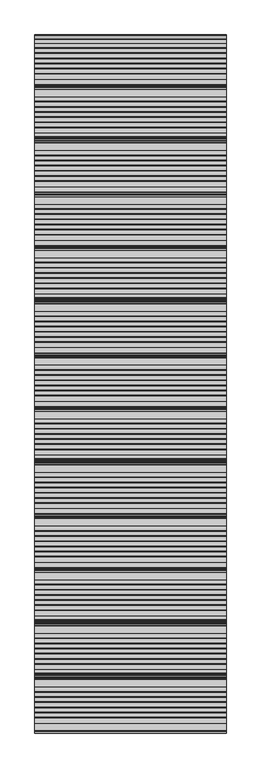
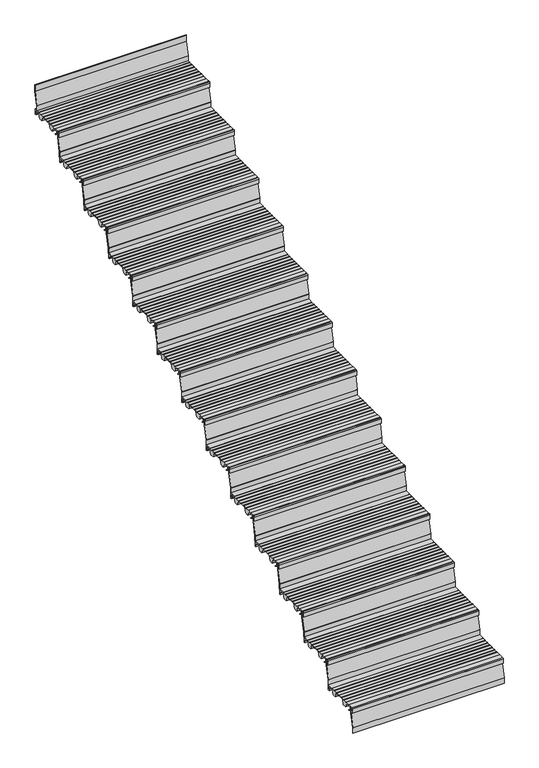
"""IFC4 building model written with IfcOpenShell, lengths in millimetres: stair flight geometry."""

from ifc_helpers import new_model, si_unit, point, frame, frame_2d, origin, place, context, project, spatial, polyline, circle_curve, trimmed, segment, composite_curve, outline, extrude, source, transform, mapped, element, save


def stair_flight_a7bef514(model_context):
    return source(origin(), model_context, "Body", "SweptSolid", [
        extrude(outline(composite_curve([segment(polyline([(-1371.0228882, 142.2436313), (-1359.2635956, 133.0961128), (-1355.814023, 133.0885102), (-1355.8198754, 130.4330421), (-1360.1774004, 130.4426458), (-1373.4632244, 140.7776485), (-1374.1204224, 160.5772032), (-1390.9403325, 160.5401335), (-1390.9403325, 139.1885558), (-1385.0403648, 139.2015588), (-1385.0403648, 129.9429101), (-1394.2346869, 129.9429101), (-1394.2346869, 160.8235294)]), True, "CONTINUOUS"), segment(trimmed(circle_curve(frame_2d((-1389.2346869, 160.8235294)), 5.0), [point((-1394.2346869, 160.8235294))], [point((-1389.2346869, 165.8235294))], False, "CARTESIAN"), True, "CONTINUOUS"), segment(polyline([(-1389.2346869, 165.8235294), (-1354.5261336, 165.8235294), (-1354.5261336, 164.4415536), (-1324.4999776, 164.3753783), (-1324.4999776, 165.9642153), (-1322.4653981, 165.9642153), (-1322.4653981, 164.0199324), (-1297.6188218, 164.0199324), (-1297.6188218, 165.9642153), (-1295.5842423, 165.9642153), (-1295.5842423, 164.0199324), (-1270.7376659, 164.0199324), (-1270.7376659, 165.9642153), (-1268.7030864, 165.9642153), (-1268.7030864, 164.0199324), (-1243.8565101, 164.0199324), (-1243.8565101, 165.9642153), (-1241.8219306, 165.9642153), (-1241.8219306, 164.0199324), (-1216.9753543, 164.0199324), (-1216.9753543, 165.9642153), (-1214.9407747, 165.9642153), (-1214.9407747, 164.0199324), (-1190.1036061, 164.0199324), (-1190.1036061, 165.9642153), (-1188.0690266, 165.9642153), (-1188.0690266, 164.0199324), (-1163.2211524, 164.0199324), (-1163.2211524, 165.9094525), (-1124.2346869, 165.8235294), (-1124.2346869, 129.9226465), (-1133.429009, 129.9429101), (-1133.429009, 139.2015588), (-1127.5290413, 139.1885558), (-1127.5290413, 160.5401335), (-1165.7505822, 160.6243708), (-1176.4760637, 130.0377824), (-1201.3678437, 130.092642), (-1214.3617912, 161.2983621), (-1285.0325064, 161.4541148), (-1295.9566079, 130.3011082), (-1320.848388, 130.3559677), (-1333.9210866, 161.7508134), (-1354.5261336, 161.7962253), (-1354.5261336, 160.6203875), (-1371.6316085, 160.5826884), (-1371.0228882, 142.2436313)]), True, "CONTINUOUS")], self_intersect=False)), frame((-3551.8300828, 0.0, 0.0), z_axis=(1.0, 0.0, 0.0), x_axis=(0.0, 1.0, 0.0)), (0.0, 0.0, 1.0), 1000.0),
        extrude(outline(composite_curve([segment(polyline([(-1382.7293497, 165.8235294), (-1380.7290994, 165.8235294), (-1380.7290994, 124.3665797)]), True, "CONTINUOUS"), segment(trimmed(circle_curve(frame_2d((-1384.6054869, 124.2822498)), 3.8773048), [point((-1380.7290994, 124.3665797))], [point((-1380.8355039, 123.376314))], False, "CARTESIAN"), True, "CONTINUOUS"), segment(polyline([(-1380.8355039, 123.376314), (-1402.2344365, 34.3262853), (-1402.2344365, -1.6764706), (-1404.2346869, -1.6764706), (-1404.2346869, 34.0170374)]), True, "CONTINUOUS"), segment(trimmed(circle_curve(frame_2d((-1399.6463851, 34.0170374)), 4.5883018), [point((-1404.2346869, 34.0170374))], [point((-1404.1076852, 35.0890984))], False, "CARTESIAN"), True, "CONTINUOUS"), segment(polyline([(-1404.1076852, 35.0890984), (-1382.7293497, 124.0534134), (-1382.7293497, 165.8235294)]), True, "CONTINUOUS")], self_intersect=False)), frame((-3551.8300828, 0.0, 0.0), z_axis=(1.0, 0.0, 0.0), x_axis=(0.0, 1.0, 0.0)), (0.0, 0.0, 1.0), 1000.0),
        extrude(outline(composite_curve([segment(polyline([(-1102.7293497, 331.6470588), (-1100.7290994, 331.6470588), (-1100.7290994, 290.1901091)]), True, "CONTINUOUS"), segment(trimmed(circle_curve(frame_2d((-1104.6054869, 290.1057792)), 3.8773048), [point((-1100.7290994, 290.1901091))], [point((-1100.8355039, 289.1998434))], False, "CARTESIAN"), True, "CONTINUOUS"), segment(polyline([(-1100.8355039, 289.1998434), (-1122.2344365, 200.1498147), (-1122.2344365, 164.1470588), (-1124.2346869, 164.1470588), (-1124.2346869, 199.8405668)]), True, "CONTINUOUS"), segment(trimmed(circle_curve(frame_2d((-1119.6463851, 199.8405668)), 4.5883018), [point((-1124.2346869, 199.8405668))], [point((-1124.1076852, 200.9126278))], False, "CARTESIAN"), True, "CONTINUOUS"), segment(polyline([(-1124.1076852, 200.9126278), (-1102.7293497, 289.8769428), (-1102.7293497, 331.6470588)]), True, "CONTINUOUS")], self_intersect=False)), frame((-3551.8300828, 0.0, 0.0), z_axis=(1.0, 0.0, 0.0), x_axis=(0.0, 1.0, 0.0)), (0.0, 0.0, 1.0), 1000.0),
        extrude(outline(composite_curve([segment(polyline([(-1091.0228882, 308.0671607), (-1079.2635956, 298.9196422), (-1075.814023, 298.9120396), (-1075.8198754, 296.2565715), (-1080.1774004, 296.2661752), (-1093.4632244, 306.6011779), (-1094.1204224, 326.4007327), (-1110.9403325, 326.3636629), (-1110.9403325, 305.0120852), (-1105.0403648, 305.0250882), (-1105.0403648, 295.7664395), (-1114.2346869, 295.7664395), (-1114.2346869, 326.6470588)]), True, "CONTINUOUS"), segment(trimmed(circle_curve(frame_2d((-1109.2346869, 326.6470588)), 5.0), [point((-1114.2346869, 326.6470588))], [point((-1109.2346869, 331.6470588))], False, "CARTESIAN"), True, "CONTINUOUS"), segment(polyline([(-1109.2346869, 331.6470588), (-1074.5261336, 331.6470588), (-1074.5261336, 330.265083), (-1044.4999776, 330.1989077), (-1044.4999776, 331.7877447), (-1042.4653981, 331.7877447), (-1042.4653981, 329.8434618), (-1017.6188218, 329.8434618), (-1017.6188218, 331.7877447), (-1015.5842423, 331.7877447), (-1015.5842423, 329.8434618), (-990.7376659, 329.8434618), (-990.7376659, 331.7877447), (-988.7030864, 331.7877447), (-988.7030864, 329.8434618), (-963.8565101, 329.8434618), (-963.8565101, 331.7877447), (-961.8219306, 331.7877447), (-961.8219306, 329.8434618), (-936.9753543, 329.8434618), (-936.9753543, 331.7877447), (-934.9407747, 331.7877447), (-934.9407747, 329.8434618), (-910.1036061, 329.8434618), (-910.1036061, 331.7877447), (-908.0690266, 331.7877447), (-908.0690266, 329.8434618), (-883.2211524, 329.8434618), (-883.2211524, 331.7329819), (-844.2346869, 331.6470588), (-844.2346869, 295.7461759), (-853.429009, 295.7664395), (-853.429009, 305.0250882), (-847.5290413, 305.0120852), (-847.5290413, 326.3636629), (-885.7505822, 326.4479002), (-896.4760637, 295.8613118), (-921.3678437, 295.9161714), (-934.3617912, 327.1218915), (-1005.0325064, 327.2776442), (-1015.9566079, 296.1246376), (-1040.848388, 296.1794971), (-1053.9210866, 327.5743428), (-1074.5261336, 327.6197548), (-1074.5261336, 326.4439169), (-1091.6316085, 326.4062178), (-1091.0228882, 308.0671607)]), True, "CONTINUOUS")], self_intersect=False)), frame((-3551.8300828, 0.0, 0.0), z_axis=(1.0, 0.0, 0.0), x_axis=(0.0, 1.0, 0.0)), (0.0, 0.0, 1.0), 1000.0),
        extrude(outline(composite_curve([segment(polyline([(-822.7293497, 497.4705882), (-820.7290994, 497.4705882), (-820.7290994, 456.0136385)]), True, "CONTINUOUS"), segment(trimmed(circle_curve(frame_2d((-824.6054869, 455.9293087)), 3.8773048), [point((-820.7290994, 456.0136385))], [point((-820.8355039, 455.0233728))], False, "CARTESIAN"), True, "CONTINUOUS"), segment(polyline([(-820.8355039, 455.0233728), (-842.2344365, 365.9733441), (-842.2344365, 329.9705882), (-844.2346869, 329.9705882), (-844.2346869, 365.6640963)]), True, "CONTINUOUS"), segment(trimmed(circle_curve(frame_2d((-839.6463851, 365.6640963)), 4.5883018), [point((-844.2346869, 365.6640963))], [point((-844.1076852, 366.7361572))], False, "CARTESIAN"), True, "CONTINUOUS"), segment(polyline([(-844.1076852, 366.7361572), (-822.7293497, 455.7004722), (-822.7293497, 497.4705882)]), True, "CONTINUOUS")], self_intersect=False)), frame((-3551.8300828, 0.0, 0.0), z_axis=(1.0, 0.0, 0.0), x_axis=(0.0, 1.0, 0.0)), (0.0, 0.0, 1.0), 1000.0),
        extrude(outline(composite_curve([segment(polyline([(-811.0228882, 473.8906902), (-799.2635956, 464.7431716), (-795.814023, 464.735569), (-795.8198754, 462.080101), (-800.1774004, 462.0897046), (-813.4632244, 472.4247073), (-814.1204224, 492.2242621), (-830.9403325, 492.1871923), (-830.9403325, 470.8356146), (-825.0403648, 470.8486177), (-825.0403648, 461.5899689), (-834.2346869, 461.5899689), (-834.2346869, 492.4705882)]), True, "CONTINUOUS"), segment(trimmed(circle_curve(frame_2d((-829.2346869, 492.4705882)), 5.0), [point((-834.2346869, 492.4705882))], [point((-829.2346869, 497.4705882))], False, "CARTESIAN"), True, "CONTINUOUS"), segment(polyline([(-829.2346869, 497.4705882), (-794.5261336, 497.4705882), (-794.5261336, 496.0886124), (-764.4999776, 496.0224371), (-764.4999776, 497.6112741), (-762.4653981, 497.6112741), (-762.4653981, 495.6669912), (-737.6188218, 495.6669912), (-737.6188218, 497.6112741), (-735.5842423, 497.6112741), (-735.5842423, 495.6669912), (-710.7376659, 495.6669912), (-710.7376659, 497.6112741), (-708.7030864, 497.6112741), (-708.7030864, 495.6669912), (-683.8565101, 495.6669912), (-683.8565101, 497.6112741), (-681.8219306, 497.6112741), (-681.8219306, 495.6669912), (-656.9753543, 495.6669912), (-656.9753543, 497.6112741), (-654.9407747, 497.6112741), (-654.9407747, 495.6669912), (-630.1036061, 495.6669912), (-630.1036061, 497.6112741), (-628.0690266, 497.6112741), (-628.0690266, 495.6669912), (-603.2211524, 495.6669912), (-603.2211524, 497.5565113), (-564.2346869, 497.4705882), (-564.2346869, 461.5697053), (-573.429009, 461.5899689), (-573.429009, 470.8486177), (-567.5290413, 470.8356146), (-567.5290413, 492.1871923), (-605.7505822, 492.2714296), (-616.4760637, 461.6848412), (-641.3678437, 461.7397008), (-654.3617912, 492.9454209), (-725.0325064, 493.1011736), (-735.9566079, 461.948167), (-760.848388, 462.0030265), (-773.9210866, 493.3978723), (-794.5261336, 493.4432842), (-794.5261336, 492.2674463), (-811.6316085, 492.2297472), (-811.0228882, 473.8906902)]), True, "CONTINUOUS")], self_intersect=False)), frame((-3551.8300828, 0.0, 0.0), z_axis=(1.0, 0.0, 0.0), x_axis=(0.0, 1.0, 0.0)), (0.0, 0.0, 1.0), 1000.0),
        extrude(outline(composite_curve([segment(polyline([(-542.7293497, 663.2941176), (-540.7290994, 663.2941176), (-540.7290994, 621.8371679)]), True, "CONTINUOUS"), segment(trimmed(circle_curve(frame_2d((-544.6054869, 621.7528381)), 3.8773048), [point((-540.7290994, 621.8371679))], [point((-540.8355039, 620.8469022))], False, "CARTESIAN"), True, "CONTINUOUS"), segment(polyline([(-540.8355039, 620.8469022), (-562.2344365, 531.7968735), (-562.2344365, 495.7941176), (-564.2346869, 495.7941176), (-564.2346869, 531.4876257)]), True, "CONTINUOUS"), segment(trimmed(circle_curve(frame_2d((-559.6463851, 531.4876257)), 4.5883018), [point((-564.2346869, 531.4876257))], [point((-564.1076852, 532.5596866))], False, "CARTESIAN"), True, "CONTINUOUS"), segment(polyline([(-564.1076852, 532.5596866), (-542.7293497, 621.5240017), (-542.7293497, 663.2941176)]), True, "CONTINUOUS")], self_intersect=False)), frame((-3551.8300828, 0.0, 0.0), z_axis=(1.0, 0.0, 0.0), x_axis=(0.0, 1.0, 0.0)), (0.0, 0.0, 1.0), 1000.0),
        extrude(outline(composite_curve([segment(polyline([(-531.0228882, 639.7142196), (-519.2635956, 630.566701), (-515.814023, 630.5590984), (-515.8198754, 627.9036304), (-520.1774004, 627.913234), (-533.4632244, 638.2482367), (-534.1204224, 658.0477915), (-550.9403325, 658.0107217), (-550.9403325, 636.659144), (-545.0403648, 636.6721471), (-545.0403648, 627.4134983), (-554.2346869, 627.4134983), (-554.2346869, 658.2941176)]), True, "CONTINUOUS"), segment(trimmed(circle_curve(frame_2d((-549.2346869, 658.2941176)), 5.0), [point((-554.2346869, 658.2941176))], [point((-549.2346869, 663.2941176))], False, "CARTESIAN"), True, "CONTINUOUS"), segment(polyline([(-549.2346869, 663.2941176), (-514.5261336, 663.2941176), (-514.5261336, 661.9121418), (-484.4999776, 661.8459665), (-484.4999776, 663.4348035), (-482.4653981, 663.4348035), (-482.4653981, 661.4905206), (-457.6188218, 661.4905206), (-457.6188218, 663.4348035), (-455.5842423, 663.4348035), (-455.5842423, 661.4905206), (-430.7376659, 661.4905206), (-430.7376659, 663.4348035), (-428.7030864, 663.4348035), (-428.7030864, 661.4905206), (-403.8565101, 661.4905206), (-403.8565101, 663.4348035), (-401.8219306, 663.4348035), (-401.8219306, 661.4905206), (-376.9753543, 661.4905206), (-376.9753543, 663.4348035), (-374.9407747, 663.4348035), (-374.9407747, 661.4905206), (-350.1036061, 661.4905206), (-350.1036061, 663.4348035), (-348.0690266, 663.4348035), (-348.0690266, 661.4905206), (-323.2211524, 661.4905206), (-323.2211524, 663.3800408), (-284.2346869, 663.2941176), (-284.2346869, 627.3932348), (-293.429009, 627.4134983), (-293.429009, 636.6721471), (-287.5290413, 636.659144), (-287.5290413, 658.0107217), (-325.7505822, 658.094959), (-336.4760637, 627.5083707), (-361.3678437, 627.5632302), (-374.3617912, 658.7689503), (-445.0325064, 658.9247031), (-455.9566079, 627.7716964), (-480.848388, 627.8265559), (-493.9210866, 659.2214017), (-514.5261336, 659.2668136), (-514.5261336, 658.0909758), (-531.6316085, 658.0532766), (-531.0228882, 639.7142196)]), True, "CONTINUOUS")], self_intersect=False)), frame((-3551.8300828, 0.0, 0.0), z_axis=(1.0, 0.0, 0.0), x_axis=(0.0, 1.0, 0.0)), (0.0, 0.0, 1.0), 1000.0),
        extrude(outline(composite_curve([segment(polyline([(-262.7293497, 829.1176471), (-260.7290994, 829.1176471), (-260.7290994, 787.6606973)]), True, "CONTINUOUS"), segment(trimmed(circle_curve(frame_2d((-264.6054869, 787.5763675)), 3.8773048), [point((-260.7290994, 787.6606973))], [point((-260.8355039, 786.6704316))], False, "CARTESIAN"), True, "CONTINUOUS"), segment(polyline([(-260.8355039, 786.6704316), (-282.2344365, 697.620403), (-282.2344365, 661.6176471), (-284.2346869, 661.6176471), (-284.2346869, 697.3111551)]), True, "CONTINUOUS"), segment(trimmed(circle_curve(frame_2d((-279.6463851, 697.3111551)), 4.5883018), [point((-284.2346869, 697.3111551))], [point((-284.1076852, 698.3832161))], False, "CARTESIAN"), True, "CONTINUOUS"), segment(polyline([(-284.1076852, 698.3832161), (-262.7293497, 787.3475311), (-262.7293497, 829.1176471)]), True, "CONTINUOUS")], self_intersect=False)), frame((-3551.8300828, 0.0, 0.0), z_axis=(1.0, 0.0, 0.0), x_axis=(0.0, 1.0, 0.0)), (0.0, 0.0, 1.0), 1000.0),
        extrude(outline(composite_curve([segment(polyline([(-251.0228882, 805.537749), (-239.2635956, 796.3902304), (-235.814023, 796.3826279), (-235.8198754, 793.7271598), (-240.1774004, 793.7367634), (-253.4632244, 804.0717661), (-254.1204224, 823.8713209), (-270.9403325, 823.8342511), (-270.9403325, 802.4826734), (-265.0403648, 802.4956765), (-265.0403648, 793.2370277), (-274.2346869, 793.2370277), (-274.2346869, 824.1176471)]), True, "CONTINUOUS"), segment(trimmed(circle_curve(frame_2d((-269.2346869, 824.1176471)), 5.0), [point((-274.2346869, 824.1176471))], [point((-269.2346869, 829.1176471))], False, "CARTESIAN"), True, "CONTINUOUS"), segment(polyline([(-269.2346869, 829.1176471), (-234.5261336, 829.1176471), (-234.5261336, 827.7356712), (-204.4999776, 827.6694959), (-204.4999776, 829.2583329), (-202.4653981, 829.2583329), (-202.4653981, 827.31405), (-177.6188218, 827.31405), (-177.6188218, 829.2583329), (-175.5842423, 829.2583329), (-175.5842423, 827.31405), (-150.7376659, 827.31405), (-150.7376659, 829.2583329), (-148.7030864, 829.2583329), (-148.7030864, 827.31405), (-123.8565101, 827.31405), (-123.8565101, 829.2583329), (-121.8219306, 829.2583329), (-121.8219306, 827.31405), (-96.9753543, 827.31405), (-96.9753543, 829.2583329), (-94.9407747, 829.2583329), (-94.9407747, 827.31405), (-70.1036061, 827.31405), (-70.1036061, 829.2583329), (-68.0690266, 829.2583329), (-68.0690266, 827.31405), (-43.2211524, 827.31405), (-43.2211524, 829.2035702), (-4.2346869, 829.1176471), (-4.2346869, 793.2167642), (-13.429009, 793.2370277), (-13.429009, 802.4956765), (-7.5290413, 802.4826734), (-7.5290413, 823.8342511), (-45.7505822, 823.9184884), (-56.4760637, 793.3319001), (-81.3678437, 793.3867596), (-94.3617912, 824.5924798), (-165.0325064, 824.7482325), (-175.9566079, 793.5952258), (-200.848388, 793.6500854), (-213.9210866, 825.0449311), (-234.5261336, 825.090343), (-234.5261336, 823.9145052), (-251.6316085, 823.876806), (-251.0228882, 805.537749)]), True, "CONTINUOUS")], self_intersect=False)), frame((-3551.8300828, 0.0, 0.0), z_axis=(1.0, 0.0, 0.0), x_axis=(0.0, 1.0, 0.0)), (0.0, 0.0, 1.0), 1000.0),
        extrude(outline(composite_curve([segment(polyline([(17.2706503, 994.9411765), (19.2709006, 994.9411765), (19.2709006, 953.4842267)]), True, "CONTINUOUS"), segment(trimmed(circle_curve(frame_2d((15.3945131, 953.3998969)), 3.8773048), [point((19.2709006, 953.4842267))], [point((19.1644961, 952.493961))], False, "CARTESIAN"), True, "CONTINUOUS"), segment(polyline([(19.1644961, 952.493961), (-2.2344365, 863.4439324), (-2.2344365, 827.4411765), (-4.2346869, 827.4411765), (-4.2346869, 863.1346845)]), True, "CONTINUOUS"), segment(trimmed(circle_curve(frame_2d((0.3536149, 863.1346845)), 4.5883018), [point((-4.2346869, 863.1346845))], [point((-4.1076852, 864.2067455))], False, "CARTESIAN"), True, "CONTINUOUS"), segment(polyline([(-4.1076852, 864.2067455), (17.2706503, 953.1710605), (17.2706503, 994.9411765)]), True, "CONTINUOUS")], self_intersect=False)), frame((-3551.8300828, 0.0, 0.0), z_axis=(1.0, 0.0, 0.0), x_axis=(0.0, 1.0, 0.0)), (0.0, 0.0, 1.0), 1000.0),
        extrude(outline(composite_curve([segment(polyline([(28.9771118, 971.3612784), (40.7364044, 962.2137599), (44.185977, 962.2061573), (44.1801246, 959.5506892), (39.8225996, 959.5602928), (26.5367756, 969.8952956), (25.8795776, 989.6948503), (9.0596675, 989.6577805), (9.0596675, 968.3062028), (14.9596352, 968.3192059), (14.9596352, 959.0605571), (5.7653131, 959.0605571), (5.7653131, 989.9411765)]), True, "CONTINUOUS"), segment(trimmed(circle_curve(frame_2d((10.7653131, 989.9411765)), 5.0), [point((5.7653131, 989.9411765))], [point((10.7653131, 994.9411765))], False, "CARTESIAN"), True, "CONTINUOUS"), segment(polyline([(10.7653131, 994.9411765), (45.4738664, 994.9411765), (45.4738664, 993.5592006), (75.5000224, 993.4930253), (75.5000224, 995.0818624), (77.5346019, 995.0818624), (77.5346019, 993.1375794), (102.3811782, 993.1375794), (102.3811782, 995.0818624), (104.4157577, 995.0818624), (104.4157577, 993.1375794), (129.2623341, 993.1375794), (129.2623341, 995.0818624), (131.2969136, 995.0818624), (131.2969136, 993.1375794), (156.1434899, 993.1375794), (156.1434899, 995.0818624), (158.1780694, 995.0818624), (158.1780694, 993.1375794), (183.0246457, 993.1375794), (183.0246457, 995.0818624), (185.0592253, 995.0818624), (185.0592253, 993.1375794), (209.8963939, 993.1375794), (209.8963939, 995.0818624), (211.9309734, 995.0818624), (211.9309734, 993.1375794), (236.7788476, 993.1375794), (236.7788476, 995.0270996), (275.7653131, 994.9411765), (275.7653131, 959.0402936), (266.570991, 959.0605571), (266.570991, 968.3192059), (272.4709587, 968.3062028), (272.4709587, 989.6577805), (234.2494178, 989.7420178), (223.5239363, 959.1554295), (198.6321563, 959.210289), (185.6382088, 990.4160092), (114.9674936, 990.5717619), (104.0433921, 959.4187552), (79.151612, 959.4736148), (66.0789134, 990.8684605), (45.4738664, 990.9138724), (45.4738664, 989.7380346), (28.3683915, 989.7003355), (28.9771118, 971.3612784)]), True, "CONTINUOUS")], self_intersect=False)), frame((-3551.8300828, 0.0, 0.0), z_axis=(1.0, 0.0, 0.0), x_axis=(0.0, 1.0, 0.0)), (0.0, 0.0, 1.0), 1000.0),
        extrude(outline(composite_curve([segment(polyline([(297.2706503, 1160.7647059), (299.2709006, 1160.7647059), (299.2709006, 1119.3077562)]), True, "CONTINUOUS"), segment(trimmed(circle_curve(frame_2d((295.3945131, 1119.2234263)), 3.8773048), [point((299.2709006, 1119.3077562))], [point((299.1644961, 1118.3174904))], False, "CARTESIAN"), True, "CONTINUOUS"), segment(polyline([(299.1644961, 1118.3174904), (277.7655635, 1029.2674618), (277.7655635, 993.2647059), (275.7653131, 993.2647059), (275.7653131, 1028.9582139)]), True, "CONTINUOUS"), segment(trimmed(circle_curve(frame_2d((280.3536149, 1028.9582139)), 4.5883018), [point((275.7653131, 1028.9582139))], [point((275.8923148, 1030.0302749))], False, "CARTESIAN"), True, "CONTINUOUS"), segment(polyline([(275.8923148, 1030.0302749), (297.2706503, 1118.9945899), (297.2706503, 1160.7647059)]), True, "CONTINUOUS")], self_intersect=False)), frame((-3551.8300828, 0.0, 0.0), z_axis=(1.0, 0.0, 0.0), x_axis=(0.0, 1.0, 0.0)), (0.0, 0.0, 1.0), 1000.0),
        extrude(outline(composite_curve([segment(polyline([(308.9771118, 1137.1848078), (320.7364044, 1128.0372893), (324.185977, 1128.0296867), (324.1801246, 1125.3742186), (319.8225996, 1125.3838222), (306.5367756, 1135.718825), (305.8795776, 1155.5183797), (289.0596675, 1155.48131), (289.0596675, 1134.1297322), (294.9596352, 1134.1427353), (294.9596352, 1124.8840866), (285.7653131, 1124.8840866), (285.7653131, 1155.7647059)]), True, "CONTINUOUS"), segment(trimmed(circle_curve(frame_2d((290.7653131, 1155.7647059)), 5.0), [point((285.7653131, 1155.7647059))], [point((290.7653131, 1160.7647059))], False, "CARTESIAN"), True, "CONTINUOUS"), segment(polyline([(290.7653131, 1160.7647059), (325.4738664, 1160.7647059), (325.4738664, 1159.38273), (355.5000224, 1159.3165547), (355.5000224, 1160.9053918), (357.5346019, 1160.9053918), (357.5346019, 1158.9611088), (382.3811782, 1158.9611088), (382.3811782, 1160.9053918), (384.4157577, 1160.9053918), (384.4157577, 1158.9611088), (409.2623341, 1158.9611088), (409.2623341, 1160.9053918), (411.2969136, 1160.9053918), (411.2969136, 1158.9611088), (436.1434899, 1158.9611088), (436.1434899, 1160.9053918), (438.1780694, 1160.9053918), (438.1780694, 1158.9611088), (463.0246457, 1158.9611088), (463.0246457, 1160.9053918), (465.0592253, 1160.9053918), (465.0592253, 1158.9611088), (489.8963939, 1158.9611088), (489.8963939, 1160.9053918), (491.9309734, 1160.9053918), (491.9309734, 1158.9611088), (516.7788476, 1158.9611088), (516.7788476, 1160.850629), (555.7653131, 1160.7647059), (555.7653131, 1124.863823), (546.570991, 1124.8840866), (546.570991, 1134.1427353), (552.4709587, 1134.1297322), (552.4709587, 1155.48131), (514.2494178, 1155.5655472), (503.5239363, 1124.9789589), (478.6321563, 1125.0338184), (465.6382088, 1156.2395386), (394.9674936, 1156.3952913), (384.0433921, 1125.2422846), (359.151612, 1125.2971442), (346.0789134, 1156.6919899), (325.4738664, 1156.7374018), (325.4738664, 1155.561564), (308.3683915, 1155.5238649), (308.9771118, 1137.1848078)]), True, "CONTINUOUS")], self_intersect=False)), frame((-3551.8300828, 0.0, 0.0), z_axis=(1.0, 0.0, 0.0), x_axis=(0.0, 1.0, 0.0)), (0.0, 0.0, 1.0), 1000.0),
        extrude(outline(composite_curve([segment(polyline([(577.2706503, 1326.5882353), (579.2709006, 1326.5882353), (579.2709006, 1285.1312856)]), True, "CONTINUOUS"), segment(trimmed(circle_curve(frame_2d((575.3945131, 1285.0469557)), 3.8773048), [point((579.2709006, 1285.1312856))], [point((579.1644961, 1284.1410199))], False, "CARTESIAN"), True, "CONTINUOUS"), segment(polyline([(579.1644961, 1284.1410199), (557.7655635, 1195.0909912), (557.7655635, 1159.0882353), (555.7653131, 1159.0882353), (555.7653131, 1194.7817433)]), True, "CONTINUOUS"), segment(trimmed(circle_curve(frame_2d((560.3536149, 1194.7817433)), 4.5883018), [point((555.7653131, 1194.7817433))], [point((555.8923148, 1195.8538043))], False, "CARTESIAN"), True, "CONTINUOUS"), segment(polyline([(555.8923148, 1195.8538043), (577.2706503, 1284.8181193), (577.2706503, 1326.5882353)]), True, "CONTINUOUS")], self_intersect=False)), frame((-3551.8300828, 0.0, 0.0), z_axis=(1.0, 0.0, 0.0), x_axis=(0.0, 1.0, 0.0)), (0.0, 0.0, 1.0), 1000.0),
        extrude(outline(composite_curve([segment(polyline([(588.9771118, 1303.0083372), (600.7364044, 1293.8608187), (604.185977, 1293.8532161), (604.1801246, 1291.197748), (599.8225996, 1291.2073517), (586.5367756, 1301.5423544), (585.8795776, 1321.3419091), (569.0596675, 1321.3048394), (569.0596675, 1299.9532616), (574.9596352, 1299.9662647), (574.9596352, 1290.707616), (565.7653131, 1290.707616), (565.7653131, 1321.5882353)]), True, "CONTINUOUS"), segment(trimmed(circle_curve(frame_2d((570.7653131, 1321.5882353)), 5.0), [point((565.7653131, 1321.5882353))], [point((570.7653131, 1326.5882353))], False, "CARTESIAN"), True, "CONTINUOUS"), segment(polyline([(570.7653131, 1326.5882353), (605.4738664, 1326.5882353), (605.4738664, 1325.2062594), (635.5000224, 1325.1400841), (635.5000224, 1326.7289212), (637.5346019, 1326.7289212), (637.5346019, 1324.7846383), (662.3811782, 1324.7846383), (662.3811782, 1326.7289212), (664.4157577, 1326.7289212), (664.4157577, 1324.7846383), (689.2623341, 1324.7846383), (689.2623341, 1326.7289212), (691.2969136, 1326.7289212), (691.2969136, 1324.7846383), (716.1434899, 1324.7846383), (716.1434899, 1326.7289212), (718.1780694, 1326.7289212), (718.1780694, 1324.7846383), (743.0246457, 1324.7846383), (743.0246457, 1326.7289212), (745.0592253, 1326.7289212), (745.0592253, 1324.7846383), (769.8963939, 1324.7846383), (769.8963939, 1326.7289212), (771.9309734, 1326.7289212), (771.9309734, 1324.7846383), (796.7788476, 1324.7846383), (796.7788476, 1326.6741584), (835.7653131, 1326.5882353), (835.7653131, 1290.6873524), (826.570991, 1290.707616), (826.570991, 1299.9662647), (832.4709587, 1299.9532616), (832.4709587, 1321.3048394), (794.2494178, 1321.3890766), (783.5239363, 1290.8024883), (758.6321563, 1290.8573478), (745.6382088, 1322.063068), (674.9674936, 1322.2188207), (664.0433921, 1291.0658141), (639.151612, 1291.1206736), (626.0789134, 1322.5155193), (605.4738664, 1322.5609312), (605.4738664, 1321.3850934), (588.3683915, 1321.3473943), (588.9771118, 1303.0083372)]), True, "CONTINUOUS")], self_intersect=False)), frame((-3551.8300828, 0.0, 0.0), z_axis=(1.0, 0.0, 0.0), x_axis=(0.0, 1.0, 0.0)), (0.0, 0.0, 1.0), 1000.0),
        extrude(outline(composite_curve([segment(polyline([(857.2706503, 1492.4117647), (859.2709006, 1492.4117647), (859.2709006, 1450.954815)]), True, "CONTINUOUS"), segment(trimmed(circle_curve(frame_2d((855.3945131, 1450.8704851)), 3.8773048), [point((859.2709006, 1450.954815))], [point((859.1644961, 1449.9645493))], False, "CARTESIAN"), True, "CONTINUOUS"), segment(polyline([(859.1644961, 1449.9645493), (837.7655635, 1360.9145206), (837.7655635, 1324.9117647), (835.7653131, 1324.9117647), (835.7653131, 1360.6052727)]), True, "CONTINUOUS"), segment(trimmed(circle_curve(frame_2d((840.3536149, 1360.6052727)), 4.5883018), [point((835.7653131, 1360.6052727))], [point((835.8923148, 1361.6773337))], False, "CARTESIAN"), True, "CONTINUOUS"), segment(polyline([(835.8923148, 1361.6773337), (857.2706503, 1450.6416487), (857.2706503, 1492.4117647)]), True, "CONTINUOUS")], self_intersect=False)), frame((-3551.8300828, 0.0, 0.0), z_axis=(1.0, 0.0, 0.0), x_axis=(0.0, 1.0, 0.0)), (0.0, 0.0, 1.0), 1000.0),
        extrude(outline(composite_curve([segment(polyline([(868.9771118, 1468.8318666), (880.7364044, 1459.6843481), (884.185977, 1459.6767455), (884.1801246, 1457.0212774), (879.8225996, 1457.0308811), (866.5367756, 1467.3658838), (865.8795776, 1487.1654385), (849.0596675, 1487.1283688), (849.0596675, 1465.7767911), (854.9596352, 1465.7897941), (854.9596352, 1456.5311454), (845.7653131, 1456.5311454), (845.7653131, 1487.4117647)]), True, "CONTINUOUS"), segment(trimmed(circle_curve(frame_2d((850.7653131, 1487.4117647)), 5.0), [point((845.7653131, 1487.4117647))], [point((850.7653131, 1492.4117647))], False, "CARTESIAN"), True, "CONTINUOUS"), segment(polyline([(850.7653131, 1492.4117647), (885.4738664, 1492.4117647), (885.4738664, 1491.0297889), (915.5000224, 1490.9636136), (915.5000224, 1492.5524506), (917.5346019, 1492.5524506), (917.5346019, 1490.6081677), (942.3811782, 1490.6081677), (942.3811782, 1492.5524506), (944.4157577, 1492.5524506), (944.4157577, 1490.6081677), (969.2623341, 1490.6081677), (969.2623341, 1492.5524506), (971.2969136, 1492.5524506), (971.2969136, 1490.6081677), (996.1434899, 1490.6081677), (996.1434899, 1492.5524506), (998.1780694, 1492.5524506), (998.1780694, 1490.6081677), (1023.0246457, 1490.6081677), (1023.0246457, 1492.5524506), (1025.0592253, 1492.5524506), (1025.0592253, 1490.6081677), (1049.8963939, 1490.6081677), (1049.8963939, 1492.5524506), (1051.9309734, 1492.5524506), (1051.9309734, 1490.6081677), (1076.7788476, 1490.6081677), (1076.7788476, 1492.4976878), (1115.7653131, 1492.4117647), (1115.7653131, 1456.5108818), (1106.570991, 1456.5311454), (1106.570991, 1465.7897941), (1112.4709587, 1465.7767911), (1112.4709587, 1487.1283688), (1074.2494178, 1487.2126061), (1063.5239363, 1456.6260177), (1038.6321563, 1456.6808772), (1025.6382088, 1487.8865974), (954.9674936, 1488.0423501), (944.0433921, 1456.8893435), (919.151612, 1456.944203), (906.0789134, 1488.3390487), (885.4738664, 1488.3844606), (885.4738664, 1487.2086228), (868.3683915, 1487.1709237), (868.9771118, 1468.8318666)]), True, "CONTINUOUS")], self_intersect=False)), frame((-3551.8300828, 0.0, 0.0), z_axis=(1.0, 0.0, 0.0), x_axis=(0.0, 1.0, 0.0)), (0.0, 0.0, 1.0), 1000.0),
        extrude(outline(composite_curve([segment(polyline([(1137.2706503, 1658.2352941), (1139.2709006, 1658.2352941), (1139.2709006, 1616.7783444)]), True, "CONTINUOUS"), segment(trimmed(circle_curve(frame_2d((1135.3945131, 1616.6940145)), 3.8773048), [point((1139.2709006, 1616.7783444))], [point((1139.1644961, 1615.7880787))], False, "CARTESIAN"), True, "CONTINUOUS"), segment(polyline([(1139.1644961, 1615.7880787), (1117.7655635, 1526.73805), (1117.7655635, 1490.7352941), (1115.7653131, 1490.7352941), (1115.7653131, 1526.4288021)]), True, "CONTINUOUS"), segment(trimmed(circle_curve(frame_2d((1120.3536149, 1526.4288021)), 4.5883018), [point((1115.7653131, 1526.4288021))], [point((1115.8923148, 1527.5008631))], False, "CARTESIAN"), True, "CONTINUOUS"), segment(polyline([(1115.8923148, 1527.5008631), (1137.2706503, 1616.4651781), (1137.2706503, 1658.2352941)]), True, "CONTINUOUS")], self_intersect=False)), frame((-3551.8300828, 0.0, 0.0), z_axis=(1.0, 0.0, 0.0), x_axis=(0.0, 1.0, 0.0)), (0.0, 0.0, 1.0), 1000.0),
        extrude(outline(composite_curve([segment(polyline([(1148.9771118, 1634.655396), (1160.7364044, 1625.5078775), (1164.185977, 1625.5002749), (1164.1801246, 1622.8448068), (1159.8225996, 1622.8544105), (1146.5367756, 1633.1894132), (1145.8795776, 1652.988968), (1129.0596675, 1652.9518982), (1129.0596675, 1631.6003205), (1134.9596352, 1631.6133235), (1134.9596352, 1622.3546748), (1125.7653131, 1622.3546748), (1125.7653131, 1653.2352941)]), True, "CONTINUOUS"), segment(trimmed(circle_curve(frame_2d((1130.7653131, 1653.2352941)), 5.0), [point((1125.7653131, 1653.2352941))], [point((1130.7653131, 1658.2352941))], False, "CARTESIAN"), True, "CONTINUOUS"), segment(polyline([(1130.7653131, 1658.2352941), (1165.4738664, 1658.2352941), (1165.4738664, 1656.8533183), (1195.5000224, 1656.787143), (1195.5000224, 1658.37598), (1197.5346019, 1658.37598), (1197.5346019, 1656.4316971), (1222.3811782, 1656.4316971), (1222.3811782, 1658.37598), (1224.4157577, 1658.37598), (1224.4157577, 1656.4316971), (1249.2623341, 1656.4316971), (1249.2623341, 1658.37598), (1251.2969136, 1658.37598), (1251.2969136, 1656.4316971), (1276.1434899, 1656.4316971), (1276.1434899, 1658.37598), (1278.1780694, 1658.37598), (1278.1780694, 1656.4316971), (1303.0246457, 1656.4316971), (1303.0246457, 1658.37598), (1305.0592253, 1658.37598), (1305.0592253, 1656.4316971), (1329.8963939, 1656.4316971), (1329.8963939, 1658.37598), (1331.9309734, 1658.37598), (1331.9309734, 1656.4316971), (1356.7788476, 1656.4316971), (1356.7788476, 1658.3212172), (1395.7653131, 1658.2352941), (1395.7653131, 1622.3344112), (1386.570991, 1622.3546748), (1386.570991, 1631.6133235), (1392.4709587, 1631.6003205), (1392.4709587, 1652.9518982), (1354.2494178, 1653.0361355), (1343.5239363, 1622.4495471), (1318.6321563, 1622.5044067), (1305.6382088, 1653.7101268), (1234.9674936, 1653.8658795), (1224.0433921, 1622.7128729), (1199.151612, 1622.7677324), (1186.0789134, 1654.1625781), (1165.4738664, 1654.2079901), (1165.4738664, 1653.0321522), (1148.3683915, 1652.9944531), (1148.9771118, 1634.655396)]), True, "CONTINUOUS")], self_intersect=False)), frame((-3551.8300828, 0.0, 0.0), z_axis=(1.0, 0.0, 0.0), x_axis=(0.0, 1.0, 0.0)), (0.0, 0.0, 1.0), 1000.0),
        extrude(outline(composite_curve([segment(polyline([(1417.2706503, 1824.0588235), (1419.2709006, 1824.0588235), (1419.2709006, 1782.6018738)]), True, "CONTINUOUS"), segment(trimmed(circle_curve(frame_2d((1415.3945131, 1782.5175439)), 3.8773048), [point((1419.2709006, 1782.6018738))], [point((1419.1644961, 1781.6116081))], False, "CARTESIAN"), True, "CONTINUOUS"), segment(polyline([(1419.1644961, 1781.6116081), (1397.7655635, 1692.5615794), (1397.7655635, 1656.5588235), (1395.7653131, 1656.5588235), (1395.7653131, 1692.2523315)]), True, "CONTINUOUS"), segment(trimmed(circle_curve(frame_2d((1400.3536149, 1692.2523315)), 4.5883018), [point((1395.7653131, 1692.2523315))], [point((1395.8923148, 1693.3243925))], False, "CARTESIAN"), True, "CONTINUOUS"), segment(polyline([(1395.8923148, 1693.3243925), (1417.2706503, 1782.2887075), (1417.2706503, 1824.0588235)]), True, "CONTINUOUS")], self_intersect=False)), frame((-3551.8300828, 0.0, 0.0), z_axis=(1.0, 0.0, 0.0), x_axis=(0.0, 1.0, 0.0)), (0.0, 0.0, 1.0), 1000.0),
        extrude(outline(composite_curve([segment(polyline([(1428.9771118, 1800.4789255), (1440.7364044, 1791.3314069), (1444.185977, 1791.3238043), (1444.1801246, 1788.6683362), (1439.8225996, 1788.6779399), (1426.5367756, 1799.0129426), (1425.8795776, 1818.8124974), (1409.0596675, 1818.7754276), (1409.0596675, 1797.4238499), (1414.9596352, 1797.436853), (1414.9596352, 1788.1782042), (1405.7653131, 1788.1782042), (1405.7653131, 1819.0588235)]), True, "CONTINUOUS"), segment(trimmed(circle_curve(frame_2d((1410.7653131, 1819.0588235)), 5.0), [point((1405.7653131, 1819.0588235))], [point((1410.7653131, 1824.0588235))], False, "CARTESIAN"), True, "CONTINUOUS"), segment(polyline([(1410.7653131, 1824.0588235), (1445.4738664, 1824.0588235), (1445.4738664, 1822.6768477), (1475.5000224, 1822.6106724), (1475.5000224, 1824.1995094), (1477.5346019, 1824.1995094), (1477.5346019, 1822.2552265), (1502.3811782, 1822.2552265), (1502.3811782, 1824.1995094), (1504.4157577, 1824.1995094), (1504.4157577, 1822.2552265), (1529.2623341, 1822.2552265), (1529.2623341, 1824.1995094), (1531.2969136, 1824.1995094), (1531.2969136, 1822.2552265), (1556.1434899, 1822.2552265), (1556.1434899, 1824.1995094), (1558.1780694, 1824.1995094), (1558.1780694, 1822.2552265), (1583.0246457, 1822.2552265), (1583.0246457, 1824.1995094), (1585.0592253, 1824.1995094), (1585.0592253, 1822.2552265), (1609.8963939, 1822.2552265), (1609.8963939, 1824.1995094), (1611.9309734, 1824.1995094), (1611.9309734, 1822.2552265), (1636.7788476, 1822.2552265), (1636.7788476, 1824.1447466), (1675.7653131, 1824.0588235), (1675.7653131, 1788.1579406), (1666.570991, 1788.1782042), (1666.570991, 1797.436853), (1672.4709587, 1797.4238499), (1672.4709587, 1818.7754276), (1634.2494178, 1818.8596649), (1623.5239363, 1788.2730765), (1598.6321563, 1788.3279361), (1585.6382088, 1819.5336562), (1514.9674936, 1819.6894089), (1504.0433921, 1788.5364023), (1479.151612, 1788.5912618), (1466.0789134, 1819.9861076), (1445.4738664, 1820.0315195), (1445.4738664, 1818.8556816), (1428.3683915, 1818.8179825), (1428.9771118, 1800.4789255)]), True, "CONTINUOUS")], self_intersect=False)), frame((-3551.8300828, 0.0, 0.0), z_axis=(1.0, 0.0, 0.0), x_axis=(0.0, 1.0, 0.0)), (0.0, 0.0, 1.0), 1000.0),
        extrude(outline(composite_curve([segment(polyline([(1697.2706503, 1989.8823529), (1699.2709006, 1989.8823529), (1699.2709006, 1948.4254032)]), True, "CONTINUOUS"), segment(trimmed(circle_curve(frame_2d((1695.3945131, 1948.3410734)), 3.8773048), [point((1699.2709006, 1948.4254032))], [point((1699.1644961, 1947.4351375))], False, "CARTESIAN"), True, "CONTINUOUS"), segment(polyline([(1699.1644961, 1947.4351375), (1677.7655635, 1858.3851088), (1677.7655635, 1822.3823529), (1675.7653131, 1822.3823529), (1675.7653131, 1858.075861)]), True, "CONTINUOUS"), segment(trimmed(circle_curve(frame_2d((1680.3536149, 1858.075861)), 4.5883018), [point((1675.7653131, 1858.075861))], [point((1675.8923148, 1859.1479219))], False, "CARTESIAN"), True, "CONTINUOUS"), segment(polyline([(1675.8923148, 1859.1479219), (1697.2706503, 1948.112237), (1697.2706503, 1989.8823529)]), True, "CONTINUOUS")], self_intersect=False)), frame((-3551.8300828, 0.0, 0.0), z_axis=(1.0, 0.0, 0.0), x_axis=(0.0, 1.0, 0.0)), (0.0, 0.0, 1.0), 1000.0),
        extrude(outline(composite_curve([segment(polyline([(1708.9771118, 1966.3024549), (1720.7364044, 1957.1549363), (1724.185977, 1957.1473337), (1724.1801246, 1954.4918657), (1719.8225996, 1954.5014693), (1706.5367756, 1964.836472), (1705.8795776, 1984.6360268), (1689.0596675, 1984.598957), (1689.0596675, 1963.2473793), (1694.9596352, 1963.2603824), (1694.9596352, 1954.0017336), (1685.7653131, 1954.0017336), (1685.7653131, 1984.8823529)]), True, "CONTINUOUS"), segment(trimmed(circle_curve(frame_2d((1690.7653131, 1984.8823529)), 5.0), [point((1685.7653131, 1984.8823529))], [point((1690.7653131, 1989.8823529))], False, "CARTESIAN"), True, "CONTINUOUS"), segment(polyline([(1690.7653131, 1989.8823529), (1725.4738664, 1989.8823529), (1725.4738664, 1988.5003771), (1755.5000224, 1988.4342018), (1755.5000224, 1990.0230388), (1757.5346019, 1990.0230388), (1757.5346019, 1988.0787559), (1782.3811782, 1988.0787559), (1782.3811782, 1990.0230388), (1784.4157577, 1990.0230388), (1784.4157577, 1988.0787559), (1809.2623341, 1988.0787559), (1809.2623341, 1990.0230388), (1811.2969136, 1990.0230388), (1811.2969136, 1988.0787559), (1836.1434899, 1988.0787559), (1836.1434899, 1990.0230388), (1838.1780694, 1990.0230388), (1838.1780694, 1988.0787559), (1863.0246457, 1988.0787559), (1863.0246457, 1990.0230388), (1865.0592253, 1990.0230388), (1865.0592253, 1988.0787559), (1889.8963939, 1988.0787559), (1889.8963939, 1990.0230388), (1891.9309734, 1990.0230388), (1891.9309734, 1988.0787559), (1916.7788476, 1988.0787559), (1916.7788476, 1989.9682761), (1955.7653131, 1989.8823529), (1955.7653131, 1953.9814701), (1946.570991, 1954.0017336), (1946.570991, 1963.2603824), (1952.4709587, 1963.2473793), (1952.4709587, 1984.598957), (1914.2494178, 1984.6831943), (1903.5239363, 1954.096606), (1878.6321563, 1954.1514655), (1865.6382088, 1985.3571856), (1794.9674936, 1985.5129384), (1784.0433921, 1954.3599317), (1759.151612, 1954.4147912), (1746.0789134, 1985.809637), (1725.4738664, 1985.8550489), (1725.4738664, 1984.6792111), (1708.3683915, 1984.6415119), (1708.9771118, 1966.3024549)]), True, "CONTINUOUS")], self_intersect=False)), frame((-3551.8300828, 0.0, 0.0), z_axis=(1.0, 0.0, 0.0), x_axis=(0.0, 1.0, 0.0)), (0.0, 0.0, 1.0), 1000.0),
        extrude(outline(composite_curve([segment(polyline([(2237.2706503, 2321.5294118), (2239.2709006, 2321.5294118), (2239.2709006, 2280.072462)]), True, "CONTINUOUS"), segment(trimmed(circle_curve(frame_2d((2235.3945131, 2279.9881322)), 3.8773048), [point((2239.2709006, 2280.072462))], [point((2239.1644961, 2279.0821963))], False, "CARTESIAN"), True, "CONTINUOUS"), segment(polyline([(2239.1644961, 2279.0821963), (2217.7655635, 2190.0321677), (2217.7655635, 2154.0294118), (2215.7653131, 2154.0294118), (2215.7653131, 2189.7229198)]), True, "CONTINUOUS"), segment(trimmed(circle_curve(frame_2d((2220.3536149, 2189.7229198)), 4.5883018), [point((2215.7653131, 2189.7229198))], [point((2215.8923148, 2190.7949808))], False, "CARTESIAN"), True, "CONTINUOUS"), segment(polyline([(2215.8923148, 2190.7949808), (2237.2706503, 2279.7592958), (2237.2706503, 2321.5294118)]), True, "CONTINUOUS")], self_intersect=False)), frame((-3551.8300828, 0.0, 0.0), z_axis=(1.0, 0.0, 0.0), x_axis=(0.0, 1.0, 0.0)), (0.0, 0.0, 1.0), 1000.0),
        extrude(outline(composite_curve([segment(polyline([(1977.2706503, 2155.7058824), (1979.2709006, 2155.7058824), (1979.2709006, 2114.2489326)]), True, "CONTINUOUS"), segment(trimmed(circle_curve(frame_2d((1975.3945131, 2114.1646028)), 3.8773048), [point((1979.2709006, 2114.2489326))], [point((1979.1644961, 2113.2586669))], False, "CARTESIAN"), True, "CONTINUOUS"), segment(polyline([(1979.1644961, 2113.2586669), (1957.7655635, 2024.2086383), (1957.7655635, 1988.2058824), (1955.7653131, 1988.2058824), (1955.7653131, 2023.8993904)]), True, "CONTINUOUS"), segment(trimmed(circle_curve(frame_2d((1960.3536149, 2023.8993904)), 4.5883018), [point((1955.7653131, 2023.8993904))], [point((1955.8923148, 2024.9714513))], False, "CARTESIAN"), True, "CONTINUOUS"), segment(polyline([(1955.8923148, 2024.9714513), (1977.2706503, 2113.9357664), (1977.2706503, 2155.7058824)]), True, "CONTINUOUS")], self_intersect=False)), frame((-3551.8300828, 0.0, 0.0), z_axis=(1.0, 0.0, 0.0), x_axis=(0.0, 1.0, 0.0)), (0.0, 0.0, 1.0), 1000.0),
        extrude(outline(composite_curve([segment(polyline([(1988.9771118, 2132.1259843), (2000.7364044, 2122.9784657), (2004.185977, 2122.9708632), (2004.1801246, 2120.3153951), (1999.8225996, 2120.3249987), (1986.5367756, 2130.6600014), (1985.8795776, 2150.4595562), (1969.0596675, 2150.4224864), (1969.0596675, 2129.0709087), (1974.9596352, 2129.0839118), (1974.9596352, 2119.825263), (1965.7653131, 2119.825263), (1965.7653131, 2150.7058824)]), True, "CONTINUOUS"), segment(trimmed(circle_curve(frame_2d((1970.7653131, 2150.7058824)), 5.0), [point((1965.7653131, 2150.7058824))], [point((1970.7653131, 2155.7058824))], False, "CARTESIAN"), True, "CONTINUOUS"), segment(polyline([(1970.7653131, 2155.7058824), (2005.4738664, 2155.7058824), (2005.4738664, 2154.3239065), (2035.5000224, 2154.2577312), (2035.5000224, 2155.8465682), (2037.5346019, 2155.8465682), (2037.5346019, 2153.9022853), (2062.3811782, 2153.9022853), (2062.3811782, 2155.8465682), (2064.4157577, 2155.8465682), (2064.4157577, 2153.9022853), (2089.2623341, 2153.9022853), (2089.2623341, 2155.8465682), (2091.2969136, 2155.8465682), (2091.2969136, 2153.9022853), (2116.1434899, 2153.9022853), (2116.1434899, 2155.8465682), (2118.1780694, 2155.8465682), (2118.1780694, 2153.9022853), (2143.0246457, 2153.9022853), (2143.0246457, 2155.8465682), (2145.0592253, 2155.8465682), (2145.0592253, 2153.9022853), (2169.8963939, 2153.9022853), (2169.8963939, 2155.8465682), (2171.9309734, 2155.8465682), (2171.9309734, 2153.9022853), (2196.7788476, 2153.9022853), (2196.7788476, 2155.7918055), (2235.7653131, 2155.7058824), (2235.7653131, 2119.8049995), (2226.570991, 2119.825263), (2226.570991, 2129.0839118), (2232.4709587, 2129.0709087), (2232.4709587, 2150.4224864), (2194.2494178, 2150.5067237), (2183.5239363, 2119.9201354), (2158.6321563, 2119.9749949), (2145.6382088, 2151.180715), (2074.9674936, 2151.3364678), (2064.0433921, 2120.1834611), (2039.151612, 2120.2383207), (2026.0789134, 2151.6331664), (2005.4738664, 2151.6785783), (2005.4738664, 2150.5027405), (1988.3683915, 2150.4650413), (1988.9771118, 2132.1259843)]), True, "CONTINUOUS")], self_intersect=False)), frame((-3551.8300828, 0.0, 0.0), z_axis=(1.0, 0.0, 0.0), x_axis=(0.0, 1.0, 0.0)), (0.0, 0.0, 1.0), 1000.0),
    ])


if __name__ == "__main__":
    model = new_model("IFC4")
    model_context = context("Model", 3, world=origin())
    ifc_project = project(units=[si_unit("LENGTHUNIT", "METRE", prefix="MILLI")], contexts=[model_context])
    site = spatial("IfcSite", under=ifc_project)
    building = spatial("IfcBuilding", under=site)
    placement = place(None, origin())
    stair_flight_shape = stair_flight_a7bef514(model_context)
    element("IfcStairFlight", 1, at=placement, inside=building, context=model_context, shape_type="MappedRepresentation", body=[
        mapped(stair_flight_shape, transform((0.0, 0.0, 0.0), x_axis=(1.0, 0.0, 0.0), y_axis=(0.0, 1.0, 0.0), z_axis=(0.0, 0.0, 1.0))),
    ])
    save(model, "model.ifc")
